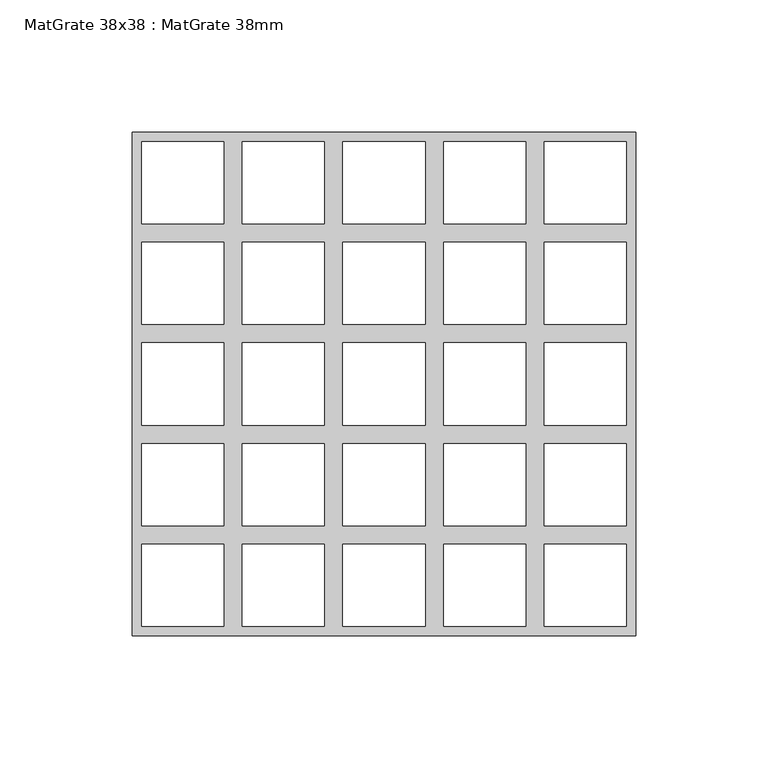
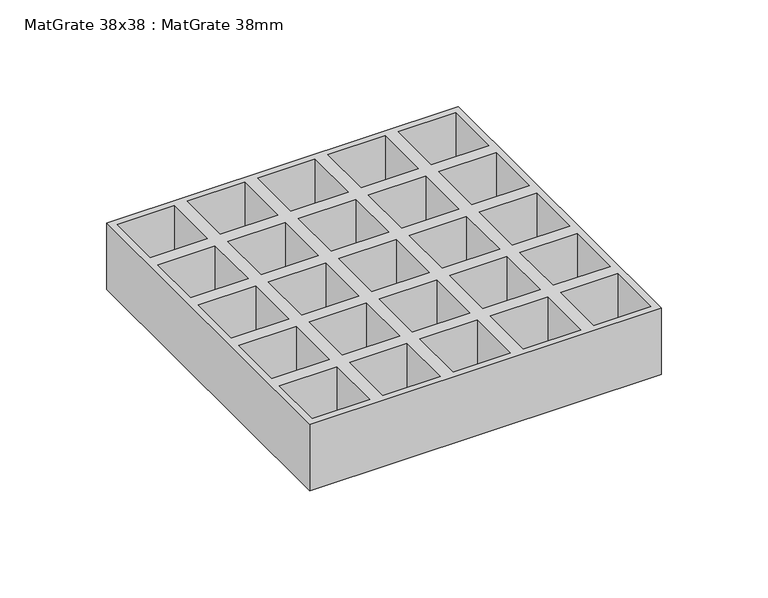
"""IFC4 building model written with IfcOpenShell, lengths in millimetres: proxy geometry, MatGrate 38x38 : MatGrate 38mm."""

from ifc_helpers import new_model, si_unit, origin, origin_with_axes, place, context, project, spatial, polyline, outline, extrude, source, transform, mapped, element, save


def matgrate_38x38_matgrate_38mm_baacbd02(model_context):
    return source(origin(), model_context, "Body", "SweptSolid", [
        extrude(outline(polyline([(95.0, -95.0), (-95.0, -95.0), (-95.0, 95.0), (95.0, 95.0), (95.0, -95.0)]), holes=[polyline([(91.5, 60.5), (91.5, 91.5), (60.5, 91.5), (60.5, 60.5), (91.5, 60.5)]), polyline([(60.5, 53.5), (60.5, 22.5), (91.5, 22.5), (91.5, 53.5), (60.5, 53.5)]), polyline([(60.5, 15.5), (60.5, -15.5), (91.5, -15.5), (91.5, 15.5), (60.5, 15.5)]), polyline([(60.5, -22.5), (60.5, -53.5), (91.5, -53.5), (91.5, -22.5), (60.5, -22.5)]), polyline([(60.5, -60.5), (60.5, -91.5), (91.5, -91.5), (91.5, -60.5), (60.5, -60.5)]), polyline([(53.5, -60.5), (22.5, -60.5), (22.5, -91.5), (53.5, -91.5), (53.5, -60.5)]), polyline([(15.5, -60.5), (-15.5, -60.5), (-15.5, -91.5), (15.5, -91.5), (15.5, -60.5)]), polyline([(-22.5, -60.5), (-53.5, -60.5), (-53.5, -91.5), (-22.5, -91.5), (-22.5, -60.5)]), polyline([(-60.5, -60.5), (-91.5, -60.5), (-91.5, -91.5), (-60.5, -91.5), (-60.5, -60.5)]), polyline([(-91.5, 60.5), (-60.5, 60.5), (-60.5, 91.5), (-91.5, 91.5), (-91.5, 60.5)]), polyline([(-53.5, 60.5), (-22.5, 60.5), (-22.5, 91.5), (-53.5, 91.5), (-53.5, 60.5)]), polyline([(-15.5, 60.5), (15.5, 60.5), (15.5, 91.5), (-15.5, 91.5), (-15.5, 60.5)]), polyline([(22.5, 60.5), (53.5, 60.5), (53.5, 91.5), (22.5, 91.5), (22.5, 60.5)]), polyline([(-91.5, 53.5), (-91.5, 22.5), (-60.5, 22.5), (-60.5, 53.5), (-91.5, 53.5)]), polyline([(-53.5, 53.5), (-53.5, 22.5), (-22.5, 22.5), (-22.5, 53.5), (-53.5, 53.5)]), polyline([(-15.5, 53.5), (-15.5, 22.5), (15.5, 22.5), (15.5, 53.5), (-15.5, 53.5)]), polyline([(22.5, 53.5), (22.5, 22.5), (53.5, 22.5), (53.5, 53.5), (22.5, 53.5)]), polyline([(-91.5, 15.5), (-91.5, -15.5), (-60.5, -15.5), (-60.5, 15.5), (-91.5, 15.5)]), polyline([(-53.5, 15.5), (-53.5, -15.5), (-22.5, -15.5), (-22.5, 15.5), (-53.5, 15.5)]), polyline([(-15.5, 15.5), (-15.5, -15.5), (15.5, -15.5), (15.5, 15.5), (-15.5, 15.5)]), polyline([(22.5, 15.5), (22.5, -15.5), (53.5, -15.5), (53.5, 15.5), (22.5, 15.5)]), polyline([(-91.5, -22.5), (-91.5, -53.5), (-60.5, -53.5), (-60.5, -22.5), (-91.5, -22.5)]), polyline([(-53.5, -22.5), (-53.5, -53.5), (-22.5, -53.5), (-22.5, -22.5), (-53.5, -22.5)]), polyline([(-15.5, -22.5), (-15.5, -53.5), (15.5, -53.5), (15.5, -22.5), (-15.5, -22.5)]), polyline([(22.5, -22.5), (22.5, -53.5), (53.5, -53.5), (53.5, -22.5), (22.5, -22.5)])]), origin_with_axes(), (0.0, 0.0, 1.0), 38.0),
    ])


if __name__ == "__main__":
    model = new_model("IFC4")
    model_context = context("Model", 3, world=origin())
    ifc_project = project(units=[si_unit("LENGTHUNIT", "METRE", prefix="MILLI")], contexts=[model_context])
    site = spatial("IfcSite", under=ifc_project)
    building = spatial("IfcBuilding", under=site)
    placement = place(None, origin())
    matgrate_38x38_matgrate_38mm_shape = matgrate_38x38_matgrate_38mm_baacbd02(model_context)
    element("IfcBuildingElementProxy", 1, Name="MatGrate 38x38 : MatGrate 38mm", ObjectType="MatGrate 38x38 : MatGrate 38mm", at=placement, inside=building, context=model_context, shape_type="MappedRepresentation", body=[
        mapped(matgrate_38x38_matgrate_38mm_shape, transform((0.0, 0.0, 0.0), x_axis=(1.0, 0.0, 0.0), y_axis=(0.0, 1.0, 0.0), z_axis=(0.0, 0.0, 1.0))),
    ])
    save(model, "model.ifc")
